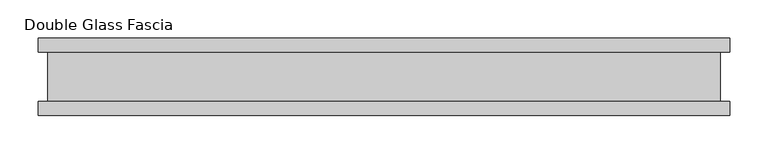
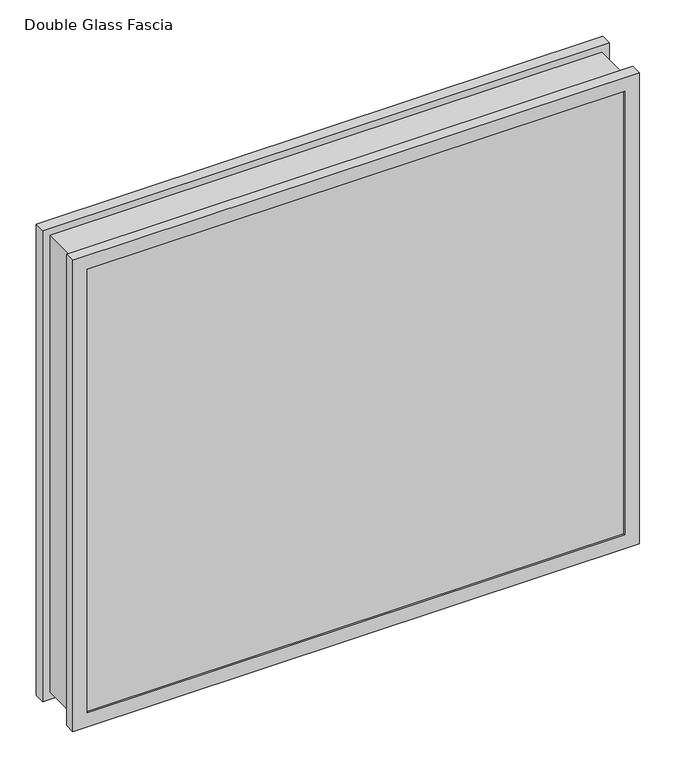
"""IFC4 building model written with IfcOpenShell, lengths in millimetres: proxy geometry, Double Glass Fascia."""

from ifc_helpers import new_model, si_unit, frame, origin, place, context, project, spatial, polyline, outline, extrude, faceted_brep, source, transform, mapped, element, save


def double_glass_fascia_045c147e(model_context):
    return source(origin(), model_context, "Body", "SolidModel", [
        faceted_brep([(437.1140848, -32.4352299, 780.4920849), (437.1140848, -32.4352299, 15.0359151), (437.1140848, 32.4352299, 15.0359151), (437.1140848, 32.4352299, 780.4920849), (-437.1140848, -32.4352299, 15.0359151), (-437.1140848, 32.4352299, 15.0359151), (-437.1140848, -32.4352299, 780.4920849), (-437.1140848, 32.4352299, 780.4920849), (425.9371999, 38.8962152, 769.3152), (425.9371999, 38.8962152, 26.2128), (425.9371999, -38.8962152, 26.2128), (425.9371999, -38.8962152, 769.3152), (442.6718392, 47.1322551, 786.0498392), (442.6718392, 47.1322551, 9.4781608), (442.6718392, 38.8962152, 9.4781608), (442.6718392, 38.8962152, 786.0498392), (425.7593999, 50.0558594, 769.1374), (425.7593999, 50.0558594, 26.3906), (425.7593999, 47.1322551, 26.3906), (425.7593999, 47.1322551, 769.1374), (448.9749999, 32.4352299, 792.353), (448.9749999, 32.4352299, 3.175), (448.9749999, 50.0558594, 3.175), (448.9749999, 50.0558594, 792.353), (-425.9371999, 38.8962152, 26.2128), (-425.9371999, -38.8962152, 26.2128), (-442.6718392, 47.1322551, 9.4781608), (-442.6718392, 38.8962152, 9.4781608), (-425.7593999, 50.0558594, 26.3906), (-425.7593999, 47.1322551, 26.3906), (-448.9749999, 32.4352299, 3.175), (-448.9749999, 50.0558594, 3.175), (-425.9371999, 38.8962152, 769.3152), (-425.9371999, -38.8962152, 769.3152), (-442.6718392, 47.1322551, 786.0498392), (-442.6718392, 38.8962152, 786.0498392), (-425.7593999, 50.0558594, 769.1374), (-425.7593999, 47.1322551, 769.1374), (-448.9749999, 32.4352299, 792.353), (-448.9749999, 50.0558594, 792.353), (448.9749999, -50.0558594, 792.353), (448.9749999, -50.0558594, 3.175), (448.9749999, -32.4352299, 3.175), (448.9749999, -32.4352299, 792.353), (425.9371999, -47.1322551, 769.3152), (425.9371999, -47.1322551, 26.2128), (425.9371999, -50.0558594, 26.2128), (425.9371999, -50.0558594, 769.3152), (442.6718392, -38.8962152, 786.0498392), (442.6718392, -38.8962152, 9.4781608), (442.6718392, -47.1322551, 9.4781608), (442.6718392, -47.1322551, 786.0498392), (-448.9749999, -50.0558594, 3.175), (-448.9749999, -32.4352299, 3.175), (-425.9371999, -47.1322551, 26.2128), (-425.9371999, -50.0558594, 26.2128), (-442.6718392, -38.8962152, 9.4781608), (-442.6718392, -47.1322551, 9.4781608), (-448.9749999, -50.0558594, 792.353), (-448.9749999, -32.4352299, 792.353), (-425.9371999, -47.1322551, 769.3152), (-425.9371999, -50.0558594, 769.3152), (-442.6718392, -38.8962152, 786.0498392), (-442.6718392, -47.1322551, 786.0498392)], [[[0, 1, 2, 3]], [[1, 4, 5, 2]], [[4, 6, 7, 5]], [[6, 0, 3, 7]], [[8, 9, 10, 11]], [[12, 13, 14, 15]], [[16, 17, 18, 19]], [[20, 21, 22, 23]], [[9, 24, 25, 10]], [[13, 26, 27, 14]], [[17, 28, 29, 18]], [[21, 30, 31, 22]], [[24, 32, 33, 25]], [[26, 34, 35, 27]], [[28, 36, 37, 29]], [[30, 38, 39, 31]], [[32, 8, 11, 33]], [[15, 14, 27, 35], [9, 8, 32, 24]], [[34, 12, 15, 35]], [[13, 12, 34, 26], [19, 18, 29, 37]], [[36, 16, 19, 37]], [[23, 22, 31, 39], [17, 16, 36, 28]], [[38, 20, 23, 39]], [[21, 20, 38, 30], [3, 2, 5, 7]], [[40, 41, 42, 43]], [[44, 45, 46, 47]], [[48, 49, 50, 51]], [[41, 52, 53, 42]], [[45, 54, 55, 46]], [[49, 56, 57, 50]], [[52, 58, 59, 53]], [[54, 60, 61, 55]], [[56, 62, 63, 57]], [[43, 42, 53, 59], [1, 0, 6, 4]], [[58, 40, 43, 59]], [[41, 40, 58, 52], [47, 46, 55, 61]], [[60, 44, 47, 61]], [[51, 50, 57, 63], [45, 44, 60, 54]], [[62, 48, 51, 63]], [[49, 48, 62, 56], [11, 10, 25, 33]]]),
        extrude(outline(polyline([(438.15, 40.9277344), (-438.15, 40.9277344), (-438.15, 46.8808594), (438.15, 46.8808594), (438.15, 40.9277344)])), frame((0.0, 0.0, 5.3275263), z_axis=(0.0, 0.0, 1.0), x_axis=(1.0, 0.0, 0.0)), (0.0, 0.0, 1.0), 784.378928),
        extrude(outline(polyline([(438.15, -41.1791301), (438.15, -47.1322551), (-438.15, -47.1322551), (-438.15, -41.1791301), (438.15, -41.1791301)])), frame((0.0, 0.0, 5.3275263), z_axis=(0.0, 0.0, 1.0), x_axis=(1.0, 0.0, 0.0)), (0.0, 0.0, 1.0), 784.378928),
    ])


if __name__ == "__main__":
    model = new_model("IFC4")
    model_context = context("Model", 3, world=origin())
    ifc_project = project(units=[si_unit("LENGTHUNIT", "METRE", prefix="MILLI")], contexts=[model_context])
    site = spatial("IfcSite", under=ifc_project)
    building = spatial("IfcBuilding", under=site)
    placement = place(None, origin())
    double_glass_fascia_shape = double_glass_fascia_045c147e(model_context)
    element("IfcBuildingElementProxy", 1, Name="Double Glass Fascia", ObjectType="Double Glass Fascia", at=placement, inside=building, context=model_context, shape_type="MappedRepresentation", body=[
        mapped(double_glass_fascia_shape, transform((0.0, 0.0, 0.0), x_axis=(1.0, 0.0, 0.0), y_axis=(0.0, 1.0, 0.0), z_axis=(0.0, 0.0, 1.0))),
    ])
    save(model, "model.ifc")
